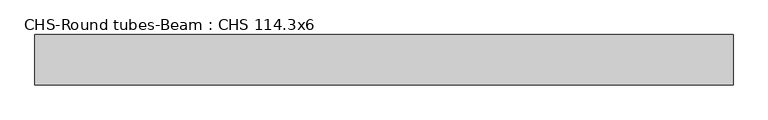
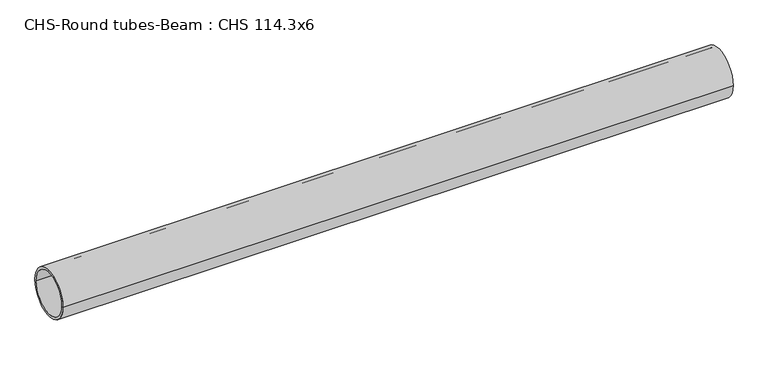
"""IFC4 building model written with IfcOpenShell, lengths in millimetres: beam geometry, CHS-Round tubes-Beam : CHS 114.3x6."""

from ifc_helpers import new_model, si_unit, point, frame, origin, origin_2d, place, context, project, spatial, circle_curve, trimmed, segment, composite_curve, outline, extrude, source, transform, mapped, element, save


def chs_round_tubes_beam_chs_114_3x6_37540801(model_context):
    return source(origin(), model_context, "Body", "SweptSolid", [
        extrude(outline(composite_curve([segment(trimmed(circle_curve(origin_2d(), 57.15), [point((57.15, 0.0))], [point((-57.15, 0.0))], False, "CARTESIAN"), True, "CONTINUOUS"), segment(trimmed(circle_curve(origin_2d(), 57.15), [point((-57.15, 0.0))], [point((57.15, 0.0))], False, "CARTESIAN"), True, "CONTINUOUS")], self_intersect=False), holes=[composite_curve([segment(trimmed(circle_curve(origin_2d(), 51.15), [point((51.15, 0.0))], [point((-51.15, 0.0))], True, "CARTESIAN"), True, "CONTINUOUS"), segment(trimmed(circle_curve(origin_2d(), 51.15), [point((-51.15, 0.0))], [point((51.15, 0.0))], True, "CARTESIAN"), True, "CONTINUOUS")], self_intersect=False)]), frame((-785.2730944, 0.0, 0.0), z_axis=(1.0, 0.0, 0.0), x_axis=(0.0, 1.0, 0.0)), (0.0, 0.0, 1.0), 1581.5244786),
    ])


if __name__ == "__main__":
    model = new_model("IFC4")
    model_context = context("Model", 3, world=origin())
    ifc_project = project(units=[si_unit("LENGTHUNIT", "METRE", prefix="MILLI")], contexts=[model_context])
    site = spatial("IfcSite", under=ifc_project)
    building = spatial("IfcBuilding", under=site)
    placement = place(None, origin())
    chs_round_tubes_beam_chs_114_3x6_shape = chs_round_tubes_beam_chs_114_3x6_37540801(model_context)
    element("IfcBeam", 1, ObjectType="CHS-Round tubes-Beam : CHS 114.3x6", at=placement, inside=building, context=model_context, shape_type="MappedRepresentation", body=[
        mapped(chs_round_tubes_beam_chs_114_3x6_shape, transform((0.0, 0.0, 0.0), x_axis=(1.0, 0.0, 0.0), y_axis=(0.0, 1.0, 0.0), z_axis=(0.0, 0.0, 1.0))),
    ])
    save(model, "model.ifc")
